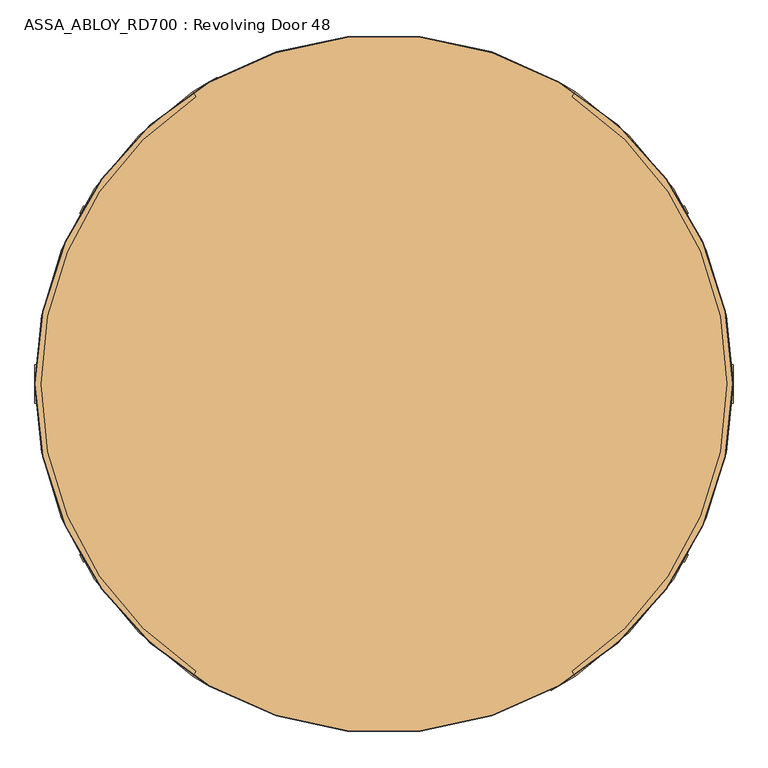
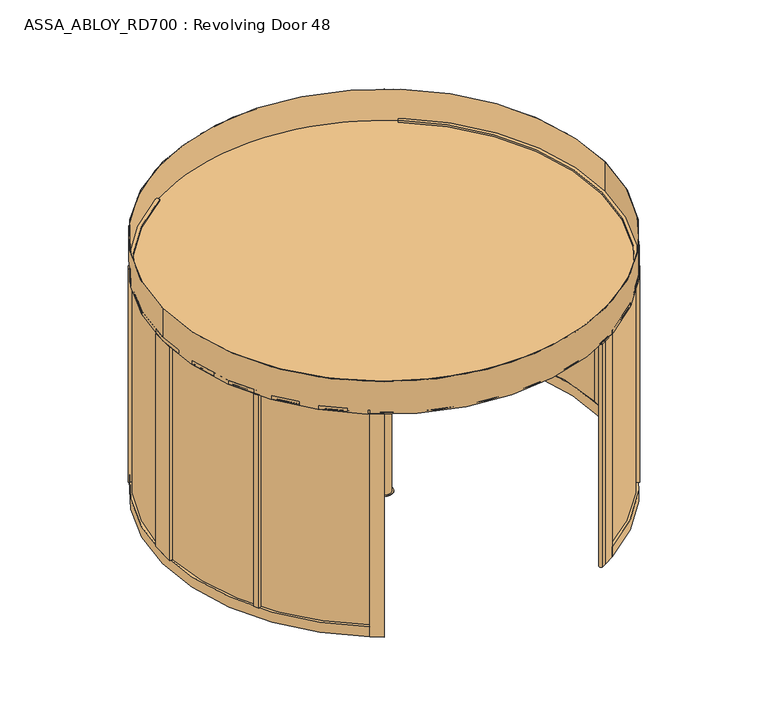
"""IFC4 building model written with IfcOpenShell, lengths in millimetres: door geometry, ASSA_ABLOY_RD700 : Revolving Door 48."""

from ifc_helpers import new_model, si_unit, point, frame, frame_2d, origin, origin_with_axes, origin_2d, place, context, project, spatial, polyline, circle_curve, trimmed, segment, composite_curve, outline, extrude, source, transform, mapped, element, save


def assa_abloy_rd700_revolving_door_48_419cffc6(model_context):
    return source(origin(), model_context, "Body", "SweptSolid", [
        extrude(outline(polyline([(-21.1919362, 0.0), (0.0, 0.0), (1.2354289, -3.3526834), (-14.8894584, -17.1035442), (-15.8652681, -14.4554102), (-11.2716326, -10.6269535), (-14.2348715, -2.5853724), (-20.214336, -2.6529929), (-21.1919362, 0.0)]), holes=[polyline([(-11.7626281, -2.5849675), (-9.3848751, -9.0376682), (-1.6611384, -2.5160752), (-11.7626281, -2.5849675)])]), frame((-1148.4366379, 1945.1506061, 111.8848654), z_axis=(0.8660254037844455, 0.4999999999999883, 0.0), x_axis=(-0.17288098849125008, 0.29943865572958484, 0.9383222555567716)), (0.0, 0.0, 1.0), 2.0),
        extrude(outline(polyline([(-3.5121291, 0.0), (0.0, 0.0), (2.8187321, -2.6852579), (4.250422, -5.1162244), (5.5118808, -7.3434952), (7.3063201, -9.1972245), (9.3614355, -9.1814983), (11.0208469, -7.16163), (10.6514742, -3.4882218), (8.71119, 0.0484616), (6.0403681, 2.648411), (9.0699596, 3.7111349), (11.0920114, 1.0208017), (12.7977466, -2.5981572), (13.1300796, -8.3561656), (9.9996043, -11.7673438), (6.2388816, -11.6844271), (3.0893834, -8.4786224), (1.8238571, -6.2006453), (0.6628891, -4.2207409), (-0.9295188, -2.6144294), (-2.9863484, -2.6252693), (-4.8029446, -4.7524081), (-4.3562345, -8.7636201), (-2.4447822, -12.1320669), (0.6567352, -15.0446471), (-2.5145629, -16.157079), (-4.8247981, -13.2083906), (-6.5093631, -9.6341389), (-7.2092232, -6.1919012), (-6.787432, -3.3659463), (-5.4926863, -1.2764387), (-3.5121291, 0.0)])), frame((-1136.5717426, 1924.6000046, 100.999973), z_axis=(0.8660254037844455, 0.49999999999998834, 0.0), x_axis=(-0.16550355081008244, 0.286660558836129, 0.9436282629706535)), (0.0, 0.0, 1.0), 2.0),
        extrude(outline(polyline([(-3.5121291, 0.0), (0.0, 0.0), (2.8187321, -2.6852579), (4.250422, -5.1162244), (5.5118808, -7.3434952), (7.3063201, -9.1972245), (9.3614355, -9.1814983), (11.0208469, -7.1616301), (10.6514742, -3.4882218), (8.71119, 0.0484616), (6.0403681, 2.648411), (9.0699596, 3.7111349), (11.0920114, 1.0208017), (12.7977466, -2.5981572), (13.1300796, -8.3561656), (9.9996043, -11.7673438), (6.2388816, -11.6844271), (3.0893834, -8.4786224), (1.8238571, -6.2006453), (0.6628891, -4.2207409), (-0.9295188, -2.6144294), (-2.9863484, -2.6252693), (-4.8029446, -4.7524081), (-4.3562345, -8.7636201), (-2.4447822, -12.1320669), (0.6567352, -15.0446471), (-2.5145629, -16.157079), (-4.8247981, -13.2083906), (-6.5093631, -9.6341389), (-7.2092232, -6.1919012), (-6.787432, -3.3659464), (-5.4926863, -1.2764387), (-3.5121291, 0.0)])), frame((-1127.1264315, 1908.2402459, 100.999973), z_axis=(0.8660254037844455, 0.49999999999998834, 0.0), x_axis=(-0.16550355081008244, 0.286660558836129, 0.9436282629706535)), (0.0, 0.0, 1.0), 2.0),
        extrude(outline(polyline([(-21.1919362, 0.0), (0.0, 0.0), (1.2354289, -3.3526834), (-14.8894584, -17.1035442), (-15.8652681, -14.4554102), (-11.2716326, -10.6269536), (-14.2348715, -2.5853724), (-20.214336, -2.6529929), (-21.1919362, 0.0)]), holes=[polyline([(-11.7626281, -2.5849675), (-9.3848751, -9.0376682), (-1.6611384, -2.5160752), (-11.7626281, -2.5849675)])]), frame((-1120.1007046, 1896.07133, 111.8848654), z_axis=(0.8660254037844455, 0.4999999999999883, 0.0), x_axis=(-0.17288098849125008, 0.29943865572958484, 0.9383222555567716)), (0.0, 0.0, 1.0), 2.0),
        extrude(outline(polyline([(-21.1919362, 0.0), (0.0, 0.0), (1.2354289, -3.3526834), (-14.8894584, -17.1035442), (-15.8652681, -14.4554102), (-11.2716326, -10.6269535), (-14.2348715, -2.5853724), (-20.214336, -2.6529929), (-21.1919362, 0.0)]), holes=[polyline([(-11.7626281, -2.5849675), (-9.3848751, -9.0376682), (-1.6611384, -2.5160752), (-11.7626281, -2.5849675)])]), frame((-1105.8498844, 1871.3881853, 111.8848654), z_axis=(0.8660254037844455, 0.4999999999999883, 0.0), x_axis=(-0.17288098849125008, 0.29943865572958484, 0.9383222555567716)), (0.0, 0.0, 1.0), 2.0),
        extrude(outline(polyline([(-3.6247797, 0.0), (0.0, 0.0), (2.8147562, -2.4211002), (3.7068839, -0.0321766), (5.7320771, 1.441087), (7.9241126, 1.6554025), (9.8352433, 0.5920774), (11.1479956, -1.1951535), (12.3716711, -4.2930708), (14.3144162, -9.9880648), (-4.5055294, -16.4081519), (-6.8194358, -9.6251298), (-7.5842828, -6.2202288), (-7.2049821, -3.4426963), (-5.9232413, -1.3859292), (-3.6247797, 0.0)]), holes=[polyline([(5.2214253, -2.9241786), (4.7734732, -6.6552625), (5.9304264, -10.0467735), (11.2627443, -8.2277488), (10.1960736, -5.1008933), (9.3653605, -2.9303688), (5.2214253, -2.9241786)]), polyline([(-2.8765907, -2.5461078), (-4.3679308, -3.4351117), (-5.1102534, -4.8838351), (-5.1175974, -6.8751817), (-4.3362091, -9.7190963), (-3.1658807, -13.1498156), (3.734766, -10.7957837), (2.347091, -6.7279309), (1.5099769, -4.5787396), (0.5832315, -3.1932875), (-0.9746905, -2.2912471), (-2.8765907, -2.5461078)])]), frame((-1093.6574584, 1850.2702841, 101.561824), z_axis=(0.8660254037844455, 0.49999999999998823, 0.0), x_axis=(-0.16143149534181742, 0.2796075518738551, 0.9464457138403736)), (0.0, 0.0, 1.0), 2.0),
        extrude(outline(polyline([(-2.319901, 0.0), (0.0, 0.0), (0.0, -9.9424327), (17.5649644, -9.9424327), (17.5649644, -12.5937481), (-2.319901, -12.5937481), (-2.319901, 0.0)])), frame((-1084.9526514, 1835.1931161, 94.319901), z_axis=(0.8660254037844455, 0.49999999999998823, 0.0), x_axis=(0.0, 0.0, 1.0)), (0.0, 0.0, 1.0), 2.0),
        extrude(outline(polyline([(-3.4755123, 1e-07), (0.0, 0.0), (3.5095376, -1.5864763), (6.1998493, -4.2905332), (7.4345587, -7.5668216), (7.0812775, -11.3109181), (5.1361655, -15.2239686), (2.1257687, -18.4422905), (-1.2097864, -20.048671), (-4.7147758, -20.0502835), (-8.2007387, -18.4707048), (-10.9175763, -15.7640054), (-12.1283677, -12.475947), (-11.7934803, -8.7947163), (-9.8417791, -4.8358203), (-6.8343334, -1.6217536), (-3.4755123, 1e-07)]), holes=[polyline([(-7.663169, -6.3468237), (-9.5892894, -12.1951337), (-6.887121, -16.5585186), (-1.8513939, -17.5618518), (2.9575554, -13.7129652), (4.8960977, -7.8921765), (2.1788994, -3.4868578), (-2.8864763, -2.494471), (-7.663169, -6.3468237)])]), frame((-1077.6757746, 1822.5891957, 111.5197917), z_axis=(0.8660254037844456, 0.4999999999999883, 0.0), x_axis=(-0.4108545755708481, 0.7116209994108781, 0.5699070721880555)), (0.0, 0.0, 1.0), 2.0),
        extrude(outline(polyline([(-3.1691505, 0.0), (0.0, 0.0), (5.4320895, -8.8964059), (10.9211409, 0.0), (14.0643996, 0.0), (6.7732822, -11.4441543), (6.7732822, -19.8848654), (4.1219668, -19.8848654), (4.1219668, -11.1645234), (-3.1691505, 0.0)])), frame((-1067.1494829, 1804.3571236, 111.8848654), z_axis=(0.8660254037844455, 0.49999999999998823, 0.0), x_axis=(-0.49999999999998823, 0.8660254037844455, 0.0)), (0.0, 0.0, 1.0), 2.0),
        extrude(outline(polyline([(21.1919362, 0.0), (20.214336, -2.6529929), (14.2348715, -2.5853724), (11.2716326, -10.6269536), (15.8652681, -14.4554102), (14.8894584, -17.1035442), (-1.2354289, -3.3526834), (0.0, 0.0), (21.1919362, 0.0)]), holes=[polyline([(11.7626281, -2.5849675), (1.6611384, -2.5160753), (9.3848751, -9.0376682), (11.7626281, -2.5849675)])]), frame((-1034.9734689, 1832.6266326, 111.8848654), z_axis=(0.8660254037844423, 0.4999999999999939, 0.0), x_axis=(-0.172880988491252, 0.2994386557295837, -0.9383222555567716)), (0.0, 0.0, 1.0), 2.0),
        extrude(outline(polyline([(3.5121291, -1e-07), (5.4926863, -1.2764388), (6.787432, -3.3659464), (7.2092231, -6.1919012), (6.5093631, -9.6341389), (4.824798, -13.2083907), (2.5145628, -16.1570792), (-0.6567353, -15.0446472), (2.4447822, -12.1320669), (4.3562345, -8.7636201), (4.8029446, -4.7524082), (2.9863484, -2.6252693), (0.9295188, -2.6144294), (-0.6628891, -4.2207409), (-1.8238571, -6.2006453), (-3.0893834, -8.4786224), (-6.2388816, -11.6844271), (-9.9996044, -11.7673439), (-13.1300796, -8.3561656), (-12.7977466, -2.5981572), (-11.0920114, 1.0208017), (-9.0699596, 3.7111349), (-6.0403681, 2.648411), (-8.71119, 0.0484616), (-10.6514742, -3.4882218), (-11.0208469, -7.1616301), (-9.3614355, -9.1814983), (-7.3063201, -9.1972246), (-5.5118808, -7.3434953), (-4.250422, -5.1162245), (-2.8187321, -2.6852579), (0.0, 0.0), (3.5121291, -1e-07)])), frame((-1046.8383642, 1853.1772341, 100.999973), z_axis=(0.8660254037844424, 0.49999999999999384, 0.0), x_axis=(-0.16550355081008428, 0.28666055883612795, -0.9436282629706535)), (0.0, 0.0, 1.0), 2.0),
        extrude(outline(polyline([(3.5121291, -1e-07), (5.4926863, -1.2764388), (6.787432, -3.3659464), (7.2092231, -6.1919012), (6.5093631, -9.6341389), (4.824798, -13.2083907), (2.5145628, -16.1570792), (-0.6567353, -15.0446472), (2.4447822, -12.1320669), (4.3562345, -8.7636201), (4.8029446, -4.7524082), (2.9863484, -2.6252693), (0.9295188, -2.6144294), (-0.6628891, -4.2207409), (-1.8238571, -6.2006453), (-3.0893834, -8.4786224), (-6.2388816, -11.6844271), (-9.9996044, -11.7673439), (-13.1300796, -8.3561656), (-12.7977466, -2.5981572), (-11.0920114, 1.0208016), (-9.0699596, 3.7111349), (-6.0403681, 2.648411), (-8.71119, 0.0484616), (-10.6514742, -3.4882218), (-11.0208469, -7.1616301), (-9.3614355, -9.1814983), (-7.3063201, -9.1972246), (-5.5118808, -7.3434953), (-4.250422, -5.1162245), (-2.8187321, -2.6852579), (0.0, 0.0), (3.5121291, -1e-07)])), frame((-1056.2836753, 1869.5369928, 100.999973), z_axis=(0.8660254037844424, 0.49999999999999384, 0.0), x_axis=(-0.16550355081008428, 0.28666055883612795, -0.9436282629706535)), (0.0, 0.0, 1.0), 2.0),
        extrude(outline(polyline([(21.1919362, 0.0), (20.214336, -2.6529929), (14.2348715, -2.5853723), (11.2716326, -10.6269536), (15.8652681, -14.4554102), (14.8894584, -17.1035441), (-1.2354289, -3.3526834), (0.0, 0.0), (21.1919362, 0.0)]), holes=[polyline([(11.7626281, -2.5849674), (1.6611384, -2.5160753), (9.3848751, -9.0376682), (11.7626281, -2.5849674)])]), frame((-1063.3094021, 1881.7059087, 111.8848654), z_axis=(0.8660254037844423, 0.4999999999999939, 0.0), x_axis=(-0.172880988491252, 0.2994386557295837, -0.9383222555567716)), (0.0, 0.0, 1.0), 2.0),
        extrude(outline(polyline([(21.1919362, 0.0), (20.214336, -2.6529929), (14.2348715, -2.5853724), (11.2716326, -10.6269536), (15.8652681, -14.4554102), (14.8894584, -17.1035442), (-1.2354289, -3.3526834), (0.0, 0.0), (21.1919362, 0.0)]), holes=[polyline([(11.7626281, -2.5849675), (1.6611384, -2.5160753), (9.3848751, -9.0376682), (11.7626281, -2.5849675)])]), frame((-1077.5602224, 1906.3890534, 111.8848654), z_axis=(0.8660254037844423, 0.4999999999999939, 0.0), x_axis=(-0.172880988491252, 0.2994386557295837, -0.9383222555567716)), (0.0, 0.0, 1.0), 2.0),
        extrude(outline(polyline([(3.6247797, 0.0), (5.9232413, -1.3859292), (7.2049821, -3.4426962), (7.5842828, -6.2202288), (6.8194358, -9.6251298), (4.5055294, -16.4081518), (-14.3144162, -9.9880647), (-12.3716711, -4.2930708), (-11.1479955, -1.1951534), (-9.8352432, 0.5920774), (-7.9241126, 1.6554025), (-5.7320771, 1.441087), (-3.7068839, -0.0321766), (-2.8147562, -2.4211002), (0.0, 0.0), (3.6247797, 0.0)]), holes=[polyline([(-5.2214253, -2.9241787), (-9.3653605, -2.9303687), (-10.1960736, -5.1008933), (-11.2627443, -8.2277488), (-5.9304264, -10.0467734), (-4.7734732, -6.6552624), (-5.2214253, -2.9241787)]), polyline([(2.8765907, -2.5461078), (0.9746905, -2.291247), (-0.5832315, -3.1932875), (-1.5099769, -4.5787396), (-2.347091, -6.7279308), (-3.734766, -10.7957836), (3.1658807, -13.1498156), (4.3362091, -9.7190964), (5.1175975, -6.8751817), (5.1102534, -4.8838351), (4.3679308, -3.4351116), (2.8765907, -2.5461078)])]), frame((-1089.7526483, 1927.5069546, 101.561824), z_axis=(0.8660254037844424, 0.49999999999999384, 0.0), x_axis=(-0.16143149534181922, 0.27960755187385405, -0.9464457138403736)), (0.0, 0.0, 1.0), 2.0),
        extrude(outline(polyline([(2.319901, 0.0), (2.319901, -12.5937481), (-17.5649644, -12.5937481), (-17.5649644, -9.9424327), (0.0, -9.9424327), (0.0, 0.0), (2.319901, 0.0)])), frame((-1098.4574553, 1942.5841226, 94.319901), z_axis=(0.8660254037844423, 0.49999999999999384, 0.0), x_axis=(0.0, 0.0, -1.0)), (0.0, 0.0, 1.0), 2.0),
        extrude(outline(polyline([(3.4755122, 0.0), (6.8343334, -1.6217536), (9.8417791, -4.8358203), (11.7934802, -8.7947164), (12.1283676, -12.475947), (10.9175763, -15.7640054), (8.2007387, -18.4707048), (4.7147758, -20.0502835), (1.2097864, -20.048671), (-2.1257687, -18.4422905), (-5.1361655, -15.2239686), (-7.0812776, -11.3109182), (-7.4345587, -7.5668217), (-6.1998493, -4.2905332), (-3.5095376, -1.5864763), (0.0, 0.0), (3.4755122, 0.0)]), holes=[polyline([(7.663169, -6.3468237), (2.8864763, -2.494471), (-2.1788995, -3.4868579), (-4.8960978, -7.8921765), (-2.9575554, -13.7129652), (1.8513939, -17.5618518), (6.8871209, -16.5585186), (9.5892894, -12.1951337), (7.663169, -6.3468237)])]), frame((-1105.7343322, 1955.188043, 111.5197917), z_axis=(0.8660254037844421, 0.49999999999999384, 0.0), x_axis=(-0.410854575570859, 0.7116209994108863, -0.5699070721880373)), (0.0, 0.0, 1.0), 2.0),
        extrude(outline(polyline([(3.1691504, 0.0), (-4.1219668, -11.1645234), (-4.1219668, -19.8848654), (-6.7732822, -19.8848654), (-6.7732822, -11.4441543), (-14.0643996, 0.0), (-10.921141, 0.0), (-5.4320895, -8.8964059), (0.0, 0.0), (3.1691504, 0.0)])), frame((-1116.2606239, 1973.4201151, 111.8848654), z_axis=(0.8660254037844423, 0.49999999999999384, 0.0), x_axis=(-0.49999999999999384, 0.8660254037844423, 0.0)), (0.0, 0.0, 1.0), 2.0),
        extrude(outline(polyline([(26.6515221, 0.0), (0.0, 0.0), (0.0, -39.5498894), (-13.9731118, -39.4978266), (-35.4734857, -27.0878672), (-65.7800894, 7.1605958), (-57.4313185, 25.5557642), (-24.0034278, 19.9844491), (26.6515221, 0.0)])), frame((-467.8205081, 770.2888888, 42.0), z_axis=(-0.4999999999999939, 0.8660254037844421, 0.0), x_axis=(0.8660254037844421, 0.4999999999999939, 0.0)), (0.0, 0.0, 1.0), 1449.0),
        extrude(outline(polyline([(33.1204549, 0.0), (0.0, 0.0), (0.0, -37.4557851), (-13.0431775, -37.4022447), (-28.8456008, -22.8930528), (-37.5120241, -2.8258245), (-41.1595702, 16.5838424), (-29.2477892, 28.4956234), (33.1204549, 0.0)])), frame((-56.3205081, 57.5499815, 42.0), z_axis=(-0.4999999999999939, 0.8660254037844421, 0.0), x_axis=(0.8660254037844421, 0.4999999999999939, 0.0)), (0.0, 0.0, 1.0), 823.0),
        extrude(outline(polyline([(-1169.2396129, 2038.48546), (-1192.3205081, 2025.1596989), (-1172.5455634, 1990.90849), (-1184.6726646, 1983.9670217), (-1209.4975143, 1983.9641748), (-1252.8680345, 1998.4709121), (-1254.835371, 2018.5759806), (-1223.1003109, 2030.4650256), (-1169.2396129, 2038.48546)])), origin_with_axes(), (0.0, 0.0, 1.0), 2600.0),
        extrude(outline(composite_curve([segment(polyline([(-1200.0, 2078.4609691), (-1220.0, 2113.1019852)]), True, "CONTINUOUS"), segment(trimmed(circle_curve(origin_2d(), 2440.0), [point((-1220.0, 2113.1019852))], [point((-1176.4425554, 2137.6582781))], False, "CARTESIAN"), True, "CONTINUOUS"), segment(trimmed(circle_curve(frame_2d((-1166.7954989, 2120.1290668)), 20.0084719), [point((-1176.4425554, 2137.6582781))], [point((-1156.4382849, 2103.0098652))], False, "CARTESIAN"), True, "CONTINUOUS"), segment(trimmed(circle_curve(origin_2d(), 2400.0), [point((-1156.4382849, 2103.0098652))], [point((-1200.0, 2078.4609691))], True, "CARTESIAN"), True, "CONTINUOUS")], self_intersect=False)), origin_with_axes(), (0.0, 0.0, 1.0), 2600.0),
        extrude(outline(composite_curve([segment(polyline([(1200.0, -2078.4609691), (1220.0, -2113.1019852)]), True, "CONTINUOUS"), segment(trimmed(circle_curve(origin_2d(), 2440.0), [point((1220.0, -2113.1019852))], [point((1176.4425554, -2137.6582781))], False, "CARTESIAN"), True, "CONTINUOUS"), segment(trimmed(circle_curve(frame_2d((1166.7954989, -2120.1290668)), 20.0084719), [point((1176.4425554, -2137.6582781))], [point((1156.4382849, -2103.0098652))], False, "CARTESIAN"), True, "CONTINUOUS"), segment(trimmed(circle_curve(origin_2d(), 2400.0), [point((1156.4382849, -2103.0098652))], [point((1200.0, -2078.4609691))], True, "CARTESIAN"), True, "CONTINUOUS")], self_intersect=False)), origin_with_axes(), (0.0, 0.0, 1.0), 2600.0),
        extrude(outline(composite_curve([segment(trimmed(circle_curve(origin_2d(), 2426.0), [point((-2426.0, 0.0))], [point((2426.0, 0.0))], False, "CARTESIAN"), True, "CONTINUOUS"), segment(trimmed(circle_curve(origin_2d(), 2426.0), [point((2426.0, 0.0))], [point((-2426.0, 0.0))], False, "CARTESIAN"), True, "CONTINUOUS")], self_intersect=False)), frame((0.0, 0.0, 2600.0), z_axis=(0.0, 0.0, 1.0), x_axis=(1.0, 0.0, 0.0)), (0.0, 0.0, 1.0), 16.0),
        extrude(outline(composite_curve([segment(polyline([(-1335.8828988, 2041.6104783), (-1315.8512391, 2006.9146259)]), True, "CONTINUOUS"), segment(trimmed(circle_curve(frame_2d((0.0, -0.2065754)), 2400.0), [point((-1315.8512391, 2006.9146259))], [point((-1315.8512391, -2007.3277767))], True, "CARTESIAN"), True, "CONTINUOUS"), segment(polyline([(-1315.8512391, -2007.3277767), (-1335.8828988, -2042.0236291)]), True, "CONTINUOUS"), segment(trimmed(circle_curve(frame_2d((0.0, -0.2065754)), 2440.0), [point((-1335.8828988, -2042.0236291))], [point((-1335.8828988, 2041.6104783))], False, "CARTESIAN"), True, "CONTINUOUS")], self_intersect=False)), frame((0.0, 0.0, 2603.0), z_axis=(0.0, 0.0, 1.0), x_axis=(1.0, 0.0, 0.0)), (0.0, 0.0, 1.0), 40.0),
        extrude(outline(composite_curve([segment(polyline([(-1335.8828988, -2042.0236291), (-1315.8512391, -2007.3277767)]), True, "CONTINUOUS"), segment(trimmed(circle_curve(frame_2d((0.0, -0.2065754)), 2400.0), [point((-1315.8512391, -2007.3277767))], [point((-1200.0, -2078.6675445))], True, "CARTESIAN"), True, "CONTINUOUS"), segment(polyline([(-1200.0, -2078.6675445), (-1220.0, -2113.3085606)]), True, "CONTINUOUS"), segment(trimmed(circle_curve(frame_2d((0.0, -0.2065754)), 2440.0), [point((-1220.0, -2113.3085606))], [point((-1335.8828988, -2042.0236291))], False, "CARTESIAN"), True, "CONTINUOUS")], self_intersect=False)), frame((0.0, 0.0, 3.0), z_axis=(0.0, 0.0, 1.0), x_axis=(1.0, 0.0, 0.0)), (0.0, 0.0, 1.0), 2600.0),
        extrude(outline(composite_curve([segment(polyline([(-1220.0, 2112.8954098), (-1200.0, 2078.2543937)]), True, "CONTINUOUS"), segment(trimmed(circle_curve(frame_2d((0.0, -0.2065754)), 2400.0), [point((-1200.0, 2078.2543937))], [point((-1315.8512391, 2006.9146259))], True, "CARTESIAN"), True, "CONTINUOUS"), segment(polyline([(-1315.8512391, 2006.9146259), (-1335.8828988, 2041.6104783)]), True, "CONTINUOUS"), segment(trimmed(circle_curve(frame_2d((0.0, -0.2065754)), 2440.0), [point((-1335.8828988, 2041.6104783))], [point((-1220.0, 2112.8954098))], False, "CARTESIAN"), True, "CONTINUOUS")], self_intersect=False)), frame((0.0, 0.0, 3.0), z_axis=(0.0, 0.0, 1.0), x_axis=(1.0, 0.0, 0.0)), (0.0, 0.0, 1.0), 2600.0),
        extrude(outline(composite_curve([segment(polyline([(-2409.164378, -136.2065754), (-2401.1515987, -136.2065754)]), True, "CONTINUOUS"), segment(trimmed(circle_curve(frame_2d((0.0, -0.2065754)), 2405.0), [point((-2401.1515987, -136.2065754))], [point((-1318.3552543, -2011.6648582))], True, "CARTESIAN"), True, "CONTINUOUS"), segment(polyline([(-1318.3552543, -2011.6648582), (-1322.3616439, -2018.6041286)]), True, "CONTINUOUS"), segment(trimmed(circle_curve(frame_2d((0.0, -0.2065754)), 2413.0), [point((-1322.3616439, -2018.6041286))], [point((-2409.164378, -136.2065754))], False, "CARTESIAN"), True, "CONTINUOUS")], self_intersect=False)), frame((0.0, 0.0, 123.0), z_axis=(0.0, 0.0, 1.0), x_axis=(1.0, 0.0, 0.0)), (0.0, 0.0, 1.0), 2480.0),
        extrude(outline(composite_curve([segment(polyline([(-1322.3616439, 2018.1909778), (-1318.3552543, 2011.2517074)]), True, "CONTINUOUS"), segment(trimmed(circle_curve(frame_2d((0.0, -0.2065754)), 2405.0), [point((-1318.3552543, 2011.2517074))], [point((-2401.1515987, 135.7934246))], True, "CARTESIAN"), True, "CONTINUOUS"), segment(polyline([(-2401.1515987, 135.7934246), (-2409.164378, 135.7934246)]), True, "CONTINUOUS"), segment(trimmed(circle_curve(frame_2d((0.0, -0.2065754)), 2413.0), [point((-2409.164378, 135.7934246))], [point((-1322.3616439, 2018.1909778))], False, "CARTESIAN"), True, "CONTINUOUS")], self_intersect=False)), frame((0.0, 0.0, 123.0), z_axis=(0.0, 0.0, 1.0), x_axis=(1.0, 0.0, 0.0)), (0.0, 0.0, 1.0), 2480.0),
        extrude(outline(polyline([(-2440.0, -136.2065754), (-2440.0, 135.7934246), (-2400.0, 135.7934246), (-2400.0, -136.2065754), (-2440.0, -136.2065754)])), frame((0.0, 0.0, 123.0), z_axis=(0.0, 0.0, 1.0), x_axis=(1.0, 0.0, 0.0)), (0.0, 0.0, 1.0), 2480.0),
        extrude(outline(composite_curve([segment(polyline([(-1335.8828988, 2041.6104783), (-1315.8512391, 2006.9146259)]), True, "CONTINUOUS"), segment(trimmed(circle_curve(frame_2d((0.0, -0.2065754)), 2400.0), [point((-1315.8512391, 2006.9146259))], [point((-1315.8512391, -2007.3277767))], True, "CARTESIAN"), True, "CONTINUOUS"), segment(polyline([(-1315.8512391, -2007.3277767), (-1335.8828988, -2042.0236291)]), True, "CONTINUOUS"), segment(trimmed(circle_curve(frame_2d((0.0, -0.2065754)), 2440.0), [point((-1335.8828988, -2042.0236291))], [point((-1335.8828988, 2041.6104783))], False, "CARTESIAN"), True, "CONTINUOUS")], self_intersect=False)), frame((0.0, 0.0, 3.0), z_axis=(0.0, 0.0, 1.0), x_axis=(1.0, 0.0, 0.0)), (0.0, 0.0, 1.0), 120.0),
        extrude(outline(composite_curve([segment(trimmed(circle_curve(frame_2d((0.0, -0.2065754)), 2440.0), [point((-2097.9422614, -1246.0951209))], [point((-2127.9422614, -1194.1335967))], False, "CARTESIAN"), True, "CONTINUOUS"), segment(polyline([(-2127.9422614, -1194.1335967), (-2093.298583, -1174.1320596)]), True, "CONTINUOUS"), segment(trimmed(circle_curve(frame_2d((0.0, -0.2065754)), 2400.0), [point((-2093.298583, -1174.1320596))], [point((-2063.298583, -1226.0935839))], True, "CARTESIAN"), True, "CONTINUOUS"), segment(polyline([(-2063.298583, -1226.0935839), (-2097.9422614, -1246.0951209)]), True, "CONTINUOUS")], self_intersect=False)), frame((0.0, 0.0, 123.0), z_axis=(0.0, 0.0, 1.0), x_axis=(1.0, 0.0, 0.0)), (0.0, 0.0, 1.0), 2480.0),
        extrude(outline(composite_curve([segment(polyline([(-2097.9422614, 1245.6819701), (-2063.298583, 1225.680433)]), True, "CONTINUOUS"), segment(trimmed(circle_curve(frame_2d((0.0, -0.2065754)), 2400.0), [point((-2063.298583, 1225.680433))], [point((-2093.298583, 1173.7189088))], True, "CARTESIAN"), True, "CONTINUOUS"), segment(polyline([(-2093.298583, 1173.7189088), (-2127.9422614, 1193.7204459)]), True, "CONTINUOUS"), segment(trimmed(circle_curve(frame_2d((0.0, -0.2065754)), 2440.0), [point((-2127.9422614, 1193.7204459))], [point((-2097.9422614, 1245.6819701))], False, "CARTESIAN"), True, "CONTINUOUS")], self_intersect=False)), frame((0.0, 0.0, 123.0), z_axis=(0.0, 0.0, 1.0), x_axis=(1.0, 0.0, 0.0)), (0.0, 0.0, 1.0), 2480.0),
        extrude(outline(composite_curve([segment(trimmed(circle_curve(origin_2d(), 2440.0), [point((1335.8828988, 2041.8170537))], [point((1335.8828988, -2041.8170537))], False, "CARTESIAN"), True, "CONTINUOUS"), segment(polyline([(1335.8828988, -2041.8170537), (1315.8512391, -2007.1212013)]), True, "CONTINUOUS"), segment(trimmed(circle_curve(origin_2d(), 2400.0), [point((1315.8512391, -2007.1212013))], [point((1315.8512391, 2007.1212013))], True, "CARTESIAN"), True, "CONTINUOUS"), segment(polyline([(1315.8512391, 2007.1212013), (1335.8828988, 2041.8170537)]), True, "CONTINUOUS")], self_intersect=False)), frame((0.0, 0.0, 2600.0), z_axis=(0.0, 0.0, 1.0), x_axis=(1.0, 0.0, 0.0)), (0.0, 0.0, 1.0), 40.0),
        extrude(outline(composite_curve([segment(trimmed(circle_curve(origin_2d(), 2440.0), [point((1335.8828988, -2041.8170537))], [point((1220.0, -2113.1019852))], False, "CARTESIAN"), True, "CONTINUOUS"), segment(polyline([(1220.0, -2113.1019852), (1200.0, -2078.4609691)]), True, "CONTINUOUS"), segment(trimmed(circle_curve(origin_2d(), 2400.0), [point((1200.0, -2078.4609691))], [point((1315.8512391, -2007.1212013))], True, "CARTESIAN"), True, "CONTINUOUS"), segment(polyline([(1315.8512391, -2007.1212013), (1335.8828988, -2041.8170537)]), True, "CONTINUOUS")], self_intersect=False)), origin_with_axes(), (0.0, 0.0, 1.0), 2600.0),
        extrude(outline(composite_curve([segment(trimmed(circle_curve(origin_2d(), 2440.0), [point((1220.0, 2113.1019852))], [point((1335.8828988, 2041.8170537))], False, "CARTESIAN"), True, "CONTINUOUS"), segment(polyline([(1335.8828988, 2041.8170537), (1315.8512391, 2007.1212013)]), True, "CONTINUOUS"), segment(trimmed(circle_curve(origin_2d(), 2400.0), [point((1315.8512391, 2007.1212013))], [point((1200.0, 2078.4609691))], True, "CARTESIAN"), True, "CONTINUOUS"), segment(polyline([(1200.0, 2078.4609691), (1220.0, 2113.1019852)]), True, "CONTINUOUS")], self_intersect=False)), origin_with_axes(), (0.0, 0.0, 1.0), 2600.0),
        extrude(outline(composite_curve([segment(trimmed(circle_curve(origin_2d(), 2413.0), [point((2409.164378, -136.0))], [point((1322.3616439, -2018.3975532))], False, "CARTESIAN"), True, "CONTINUOUS"), segment(polyline([(1322.3616439, -2018.3975532), (1318.3552543, -2011.4582828)]), True, "CONTINUOUS"), segment(trimmed(circle_curve(origin_2d(), 2405.0), [point((1318.3552543, -2011.4582828))], [point((2401.1515987, -136.0))], True, "CARTESIAN"), True, "CONTINUOUS"), segment(polyline([(2401.1515987, -136.0), (2409.164378, -136.0)]), True, "CONTINUOUS")], self_intersect=False)), frame((0.0, 0.0, 120.0), z_axis=(0.0, 0.0, 1.0), x_axis=(1.0, 0.0, 0.0)), (0.0, 0.0, 1.0), 2480.0),
        extrude(outline(composite_curve([segment(trimmed(circle_curve(origin_2d(), 2413.0), [point((1322.3616439, 2018.3975532))], [point((2409.164378, 136.0))], False, "CARTESIAN"), True, "CONTINUOUS"), segment(polyline([(2409.164378, 136.0), (2401.1515987, 136.0)]), True, "CONTINUOUS"), segment(trimmed(circle_curve(origin_2d(), 2405.0), [point((2401.1515987, 136.0))], [point((1318.3552543, 2011.4582828))], True, "CARTESIAN"), True, "CONTINUOUS"), segment(polyline([(1318.3552543, 2011.4582828), (1322.3616439, 2018.3975532)]), True, "CONTINUOUS")], self_intersect=False)), frame((0.0, 0.0, 120.0), z_axis=(0.0, 0.0, 1.0), x_axis=(1.0, 0.0, 0.0)), (0.0, 0.0, 1.0), 2480.0),
        extrude(outline(polyline([(2440.0, -136.0), (2400.0, -136.0), (2400.0, 136.0), (2440.0, 136.0), (2440.0, -136.0)])), frame((0.0, 0.0, 120.0), z_axis=(0.0, 0.0, 1.0), x_axis=(1.0, 0.0, 0.0)), (0.0, 0.0, 1.0), 2480.0),
        extrude(outline(composite_curve([segment(trimmed(circle_curve(origin_2d(), 2440.0), [point((1335.8828988, 2041.8170537))], [point((1335.8828988, -2041.8170537))], False, "CARTESIAN"), True, "CONTINUOUS"), segment(polyline([(1335.8828988, -2041.8170537), (1315.8512391, -2007.1212013)]), True, "CONTINUOUS"), segment(trimmed(circle_curve(origin_2d(), 2400.0), [point((1315.8512391, -2007.1212013))], [point((1315.8512391, 2007.1212013))], True, "CARTESIAN"), True, "CONTINUOUS"), segment(polyline([(1315.8512391, 2007.1212013), (1335.8828988, 2041.8170537)]), True, "CONTINUOUS")], self_intersect=False)), origin_with_axes(), (0.0, 0.0, 1.0), 120.0),
        extrude(outline(composite_curve([segment(polyline([(2097.9422614, -1245.8885455), (2063.298583, -1225.8870085)]), True, "CONTINUOUS"), segment(trimmed(circle_curve(origin_2d(), 2400.0), [point((2063.298583, -1225.8870085))], [point((2093.298583, -1173.9254842))], True, "CARTESIAN"), True, "CONTINUOUS"), segment(polyline([(2093.298583, -1173.9254842), (2127.9422614, -1193.9270213)]), True, "CONTINUOUS"), segment(trimmed(circle_curve(origin_2d(), 2440.0), [point((2127.9422614, -1193.9270213))], [point((2097.9422614, -1245.8885455))], False, "CARTESIAN"), True, "CONTINUOUS")], self_intersect=False)), frame((0.0, 0.0, 120.0), z_axis=(0.0, 0.0, 1.0), x_axis=(1.0, 0.0, 0.0)), (0.0, 0.0, 1.0), 2480.0),
        extrude(outline(composite_curve([segment(trimmed(circle_curve(origin_2d(), 2440.0), [point((2097.9422614, 1245.8885455))], [point((2127.9422614, 1193.9270213))], False, "CARTESIAN"), True, "CONTINUOUS"), segment(polyline([(2127.9422614, 1193.9270213), (2093.298583, 1173.9254842)]), True, "CONTINUOUS"), segment(trimmed(circle_curve(origin_2d(), 2400.0), [point((2093.298583, 1173.9254842))], [point((2063.298583, 1225.8870085))], True, "CARTESIAN"), True, "CONTINUOUS"), segment(polyline([(2063.298583, 1225.8870085), (2097.9422614, 1245.8885455)]), True, "CONTINUOUS")], self_intersect=False)), frame((0.0, 0.0, 120.0), z_axis=(0.0, 0.0, 1.0), x_axis=(1.0, 0.0, 0.0)), (0.0, 0.0, 1.0), 2480.0),
        extrude(outline(composite_curve([segment(trimmed(circle_curve(origin_2d(), 2440.0), [point((-2440.0, 0.0))], [point((2440.0, 0.0))], False, "CARTESIAN"), True, "CONTINUOUS"), segment(trimmed(circle_curve(origin_2d(), 2440.0), [point((2440.0, 0.0))], [point((-2440.0, 0.0))], False, "CARTESIAN"), True, "CONTINUOUS")], self_intersect=False), holes=[composite_curve([segment(trimmed(circle_curve(origin_2d(), 2436.0), [point((-2436.0, 0.0))], [point((2436.0, 0.0))], True, "CARTESIAN"), True, "CONTINUOUS"), segment(trimmed(circle_curve(origin_2d(), 2436.0), [point((2436.0, 0.0))], [point((-2436.0, 0.0))], True, "CARTESIAN"), True, "CONTINUOUS")], self_intersect=False)]), frame((0.0, 0.0, 2600.0), z_axis=(0.0, 0.0, 1.0), x_axis=(1.0, 0.0, 0.0)), (0.0, 0.0, 1.0), 380.0),
        extrude(outline(composite_curve([segment(trimmed(circle_curve(origin_2d(), 2440.0), [point((-2440.0, 0.0))], [point((2440.0, 0.0))], False, "CARTESIAN"), True, "CONTINUOUS"), segment(trimmed(circle_curve(origin_2d(), 2440.0), [point((2440.0, 0.0))], [point((-2440.0, 0.0))], False, "CARTESIAN"), True, "CONTINUOUS")], self_intersect=False)), frame((0.0, 0.0, 2600.0), z_axis=(0.0, 0.0, 1.0), x_axis=(1.0, 0.0, 0.0)), (0.0, 0.0, 1.0), 18.0),
        extrude(outline(composite_curve([segment(trimmed(circle_curve(origin_2d(), 75.0), [point((-75.0, 0.0))], [point((75.0, 0.0))], False, "CARTESIAN"), True, "CONTINUOUS"), segment(trimmed(circle_curve(origin_2d(), 75.0), [point((75.0, 0.0))], [point((-75.0, 0.0))], False, "CARTESIAN"), True, "CONTINUOUS")], self_intersect=False)), origin_with_axes(), (0.0, 0.0, 1.0), 2600.0),
        extrude(outline(composite_curve([segment(trimmed(circle_curve(origin_2d(), 94.0), [point((-94.0, 0.0))], [point((94.0, 0.0))], False, "CARTESIAN"), True, "CONTINUOUS"), segment(trimmed(circle_curve(origin_2d(), 94.0), [point((94.0, 0.0))], [point((-94.0, 0.0))], False, "CARTESIAN"), True, "CONTINUOUS")], self_intersect=False)), origin_with_axes(), (0.0, 0.0, 1.0), 3.0),
    ])


if __name__ == "__main__":
    model = new_model("IFC4")
    model_context = context("Model", 3, world=origin())
    ifc_project = project(units=[si_unit("LENGTHUNIT", "METRE", prefix="MILLI")], contexts=[model_context])
    site = spatial("IfcSite", under=ifc_project)
    building = spatial("IfcBuilding", under=site)
    placement = place(None, origin())
    assa_abloy_rd700_revolving_door_48_shape = assa_abloy_rd700_revolving_door_48_419cffc6(model_context)
    element("IfcDoor", 1, ObjectType="ASSA_ABLOY_RD700 : Revolving Door 48", at=placement, inside=building, context=model_context, shape_type="MappedRepresentation", body=[
        mapped(assa_abloy_rd700_revolving_door_48_shape, transform((0.0, 0.0, 0.0), x_axis=(1.0, 0.0, 0.0), y_axis=(0.0, 1.0, 0.0), z_axis=(0.0, 0.0, 1.0))),
    ])
    save(model, "model.ifc")
